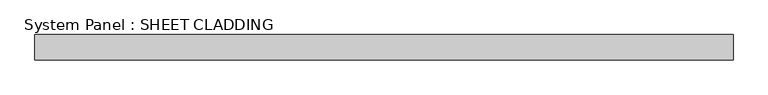
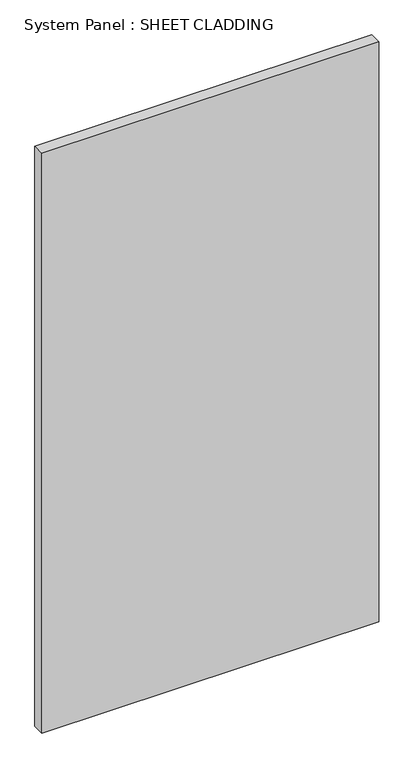
"""IFC4 building model written with IfcOpenShell, lengths in millimetres: plate geometry, System Panel : SHEET CLADDING."""

from ifc_helpers import new_model, si_unit, origin, origin_with_axes, place, context, project, spatial, polyline, outline, extrude, source, transform, mapped, element, save


def system_panel_sheet_cladding_07870206(model_context):
    return source(origin(), model_context, "Body", "SweptSolid", [
        extrude(outline(polyline([(833.3333333, -10.5), (-833.3333333, -10.5), (-833.3333333, 49.5), (833.3333333, 49.5), (833.3333333, -10.5)])), origin_with_axes(), (0.0, 0.0, 1.0), 3031.35),
    ])


if __name__ == "__main__":
    model = new_model("IFC4")
    model_context = context("Model", 3, world=origin())
    ifc_project = project(units=[si_unit("LENGTHUNIT", "METRE", prefix="MILLI")], contexts=[model_context])
    site = spatial("IfcSite", under=ifc_project)
    building = spatial("IfcBuilding", under=site)
    placement = place(None, origin())
    system_panel_sheet_cladding_shape = system_panel_sheet_cladding_07870206(model_context)
    element("IfcPlate", 1, ObjectType="System Panel : SHEET CLADDING", at=placement, inside=building, context=model_context, shape_type="MappedRepresentation", body=[
        mapped(system_panel_sheet_cladding_shape, transform((0.0, 0.0, 0.0), x_axis=(1.0, 0.0, 0.0), y_axis=(0.0, 1.0, 0.0), z_axis=(0.0, 0.0, 1.0))),
    ])
    save(model, "model.ifc")
